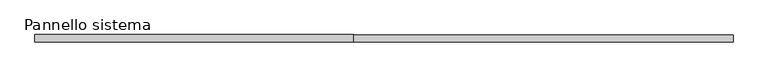
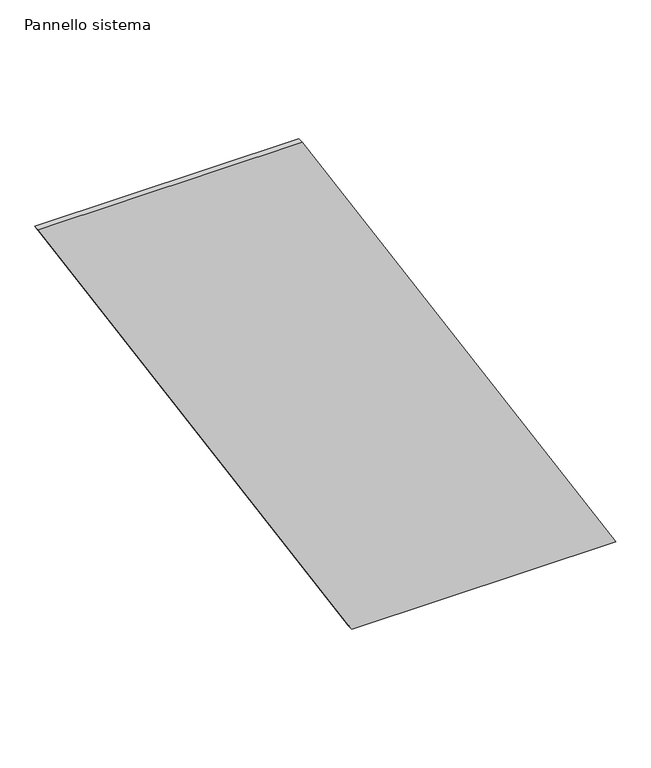
"""IFC4 building model written with IfcOpenShell, lengths in millimetres: plate geometry, Pannello sistema."""

import ifcopenshell
import ifcopenshell.guid

model = None  # the IFC model being written
_history = None  # IfcOwnerHistory: only IFC2X3 demands one
_inside = {}  # id of a spatial element -> (the spatial element, [elements in it])
_under = {}  # id of a project, library or spatial element -> (it, [spatial elements below it])
_declared = {}  # id of a project -> (the project, [libraries it declares])
_typed = {}  # id of a type object -> (the type object, [elements of that type])
_made_of = {}  # id of a material, layer set ... -> (it, [elements and type objects made of it])


def new_model(schema):
    """Start an empty IFC model of exactly this schema.

    Asked for "IFC4X3", IfcOpenShell would pick the latest addendum, in which some entities
    have other attributes; the version numbers below select the first issue.
    IFC2X3 requires an IfcOwnerHistory on every rooted entity: one is made here for all.
    """
    global model, _history
    if schema == "IFC4X3":
        model = ifcopenshell.file(schema_version=(4, 3, 0, 0))
    else:
        model = ifcopenshell.file(schema=schema)
    _inside.clear()
    _under.clear()
    _declared.clear()
    _typed.clear()
    _made_of.clear()
    _history = None
    if model.schema == "IFC2X3":
        org = make("IfcOrganization", Name="unknown")
        user = make(
            "IfcPersonAndOrganization",
            ThePerson=make("IfcPerson", FamilyName="unknown"),
            TheOrganization=org,
        )
        app = make(
            "IfcApplication",
            ApplicationDeveloper=org,
            Version="unknown",
            ApplicationFullName="unknown",
            ApplicationIdentifier="unknown",
        )
        _history = make(
            "IfcOwnerHistory",
            OwningUser=user,
            OwningApplication=app,
            ChangeAction="ADDED",
            CreationDate=0,
        )
    return model


def make(cls, **values):
    """One entity of the class cls with the attributes given. An attribute that is None is left unset."""
    return model.create_entity(
        cls, **{name: value for name, value in values.items() if value is not None}
    )


def rooted(cls, **values):
    """An entity with a GlobalId (a new one), such as an element, a storey or a relation."""
    return make(cls, GlobalId=ifcopenshell.guid.new(), OwnerHistory=_history, **values)


def si_unit(unit_type, name, prefix=None):
    """IfcSIUnit, for example si_unit("LENGTHUNIT", "METRE", prefix="MILLI")."""
    return make("IfcSIUnit", UnitType=unit_type, Prefix=prefix, Name=name)


def assignment(units):
    """IfcUnitAssignment: the units of a project."""
    return None if units is None else make("IfcUnitAssignment", Units=units)


def point(xyz):
    """IfcCartesianPoint."""
    return None if xyz is None else make("IfcCartesianPoint", Coordinates=xyz)


def direction(xyz):
    """IfcDirection."""
    return None if xyz is None else make("IfcDirection", DirectionRatios=xyz)


def frame(location, z_axis=None, x_axis=None):
    """IfcAxis2Placement3D, a coordinate frame: its origin and axes. An axis left out is left unset."""
    return make(
        "IfcAxis2Placement3D",
        Location=point(location),
        Axis=direction(z_axis),
        RefDirection=direction(x_axis),
    )


def origin():
    """The frame at (0, 0, 0) with its axes left unset."""
    return frame((0.0, 0.0, 0.0))


def place(relative_to, where):
    """IfcLocalPlacement: puts the frame where relative to a parent placement (None: the world)."""
    return make(
        "IfcLocalPlacement", PlacementRelTo=relative_to, RelativePlacement=where
    )


def context(
    kind, dimensions, precision=None, world=None, true_north=None, identifier=None
):
    """IfcGeometricRepresentationContext, for example the 3D "Model" context."""
    return make(
        "IfcGeometricRepresentationContext",
        ContextIdentifier=identifier,
        ContextType=kind,
        CoordinateSpaceDimension=dimensions,
        Precision=precision,
        WorldCoordinateSystem=world,
        TrueNorth=true_north,
    )


def project(units=None, contexts=None):
    """IfcProject with its units and contexts."""
    return rooted(
        "IfcProject",
        Name="project",
        RepresentationContexts=contexts,
        UnitsInContext=assignment(units),
    )


def spatial(cls, under=None, at=None, **own):
    """A site, building, storey or space (cls), placed at a placement, below another one or the project."""
    s = rooted(cls, ObjectPlacement=at, **own)
    if under is not None:
        _under.setdefault(under.id(), (under, []))[1].append(s)
    return s


def polyline(points):
    """IfcPolyline through the points."""
    return make("IfcPolyline", Points=[point(p) for p in points])


def outline(outer, holes=None, kind="AREA"):
    """IfcArbitraryClosedProfileDef: a profile drawn as a closed curve; with holes, ...WithVoids."""
    if holes is None:
        return make("IfcArbitraryClosedProfileDef", ProfileType=kind, OuterCurve=outer)
    return make(
        "IfcArbitraryProfileDefWithVoids",
        ProfileType=kind,
        OuterCurve=outer,
        InnerCurves=holes,
    )


def extrude(swept, where, along, depth):
    """IfcExtrudedAreaSolid: the profile swept, set in the frame where, extruded along a direction by depth."""
    return make(
        "IfcExtrudedAreaSolid",
        SweptArea=swept,
        Position=where,
        ExtrudedDirection=direction(along),
        Depth=depth,
    )


def shape(context_of_items, identifier, shape_type, items):
    """IfcShapeRepresentation: the items that make up one representation, for example the "Body"."""
    return make(
        "IfcShapeRepresentation",
        ContextOfItems=context_of_items,
        RepresentationIdentifier=identifier,
        RepresentationType=shape_type,
        Items=items,
    )


def source(mapping_origin, context_of_items, identifier, shape_type, items):
    """IfcRepresentationMap: a shape defined once, which mapped items show again and again."""
    return make(
        "IfcRepresentationMap",
        MappingOrigin=mapping_origin,
        MappedRepresentation=shape(context_of_items, identifier, shape_type, items),
    )


def transform(
    local_origin,
    x_axis=None,
    y_axis=None,
    z_axis=None,
    scale=None,
    scale2=None,
    scale3=None,
    uniform=True,
):
    """IfcCartesianTransformationOperator3D, or its non-uniform kind. x_axis, y_axis, z_axis: its Axis1, 2, 3."""
    if uniform:
        return make(
            "IfcCartesianTransformationOperator3D",
            Axis1=direction(x_axis),
            Axis2=direction(y_axis),
            LocalOrigin=point(local_origin),
            Scale=scale,
            Axis3=direction(z_axis),
        )
    return make(
        "IfcCartesianTransformationOperator3DnonUniform",
        Axis1=direction(x_axis),
        Axis2=direction(y_axis),
        LocalOrigin=point(local_origin),
        Scale=scale,
        Axis3=direction(z_axis),
        Scale2=scale2,
        Scale3=scale3,
    )


def mapped(mapping_source, mapping_target):
    """IfcMappedItem: shows the shape of a source again, moved by a transform."""
    return make(
        "IfcMappedItem", MappingSource=mapping_source, MappingTarget=mapping_target
    )


def made_of(thing, what):
    """Note that an element or type object is made of a material, layer set ...; save() writes the relation."""
    if what is not None:
        _made_of.setdefault(what.id(), (what, []))[1].append(thing)
    return thing


def element(
    cls,
    number,
    at=None,
    inside=None,
    cuts=None,
    type_object=None,
    material=None,
    context=None,
    identifier="Body",
    shape_type=None,
    held_by="IfcProductDefinitionShape",
    body=None,
    shapes=None,
    **own,
):
    """One element of the class cls, such as IfcWall. Its Tag is "e" and its number.

    at: its placement. inside: the storey or other place that contains it. cuts: it is an
    opening in that element (IfcRelVoidsElement). A single representation is given by context,
    identifier, shape_type and body (its items); several are given by shapes. held_by: the class
    of the entity that holds the representations. save() writes the other relations.
    """
    e = rooted(cls, Tag="e%d" % number, ObjectPlacement=at, **own)
    if body is not None:
        shapes = [shape(context, identifier, shape_type, body)]
    if shapes is not None:
        e.Representation = make(held_by, Representations=shapes)
    if inside is not None:
        _inside.setdefault(inside.id(), (inside, []))[1].append(e)
    if cuts is not None:
        rooted(
            "IfcRelVoidsElement", RelatingBuildingElement=cuts, RelatedOpeningElement=e
        )
    if type_object is not None:
        _typed.setdefault(type_object.id(), (type_object, []))[1].append(e)
    return made_of(e, material)


def aggregate(whole, parts):
    """IfcRelAggregates: a whole, such as a stair, and the parts it consists of."""
    return rooted("IfcRelAggregates", RelatingObject=whole, RelatedObjects=parts)


def save(model, path):
    """Write the relations noted so far, then the file.

    IfcRelAggregates (storeys below a building ...), IfcRelContainedInSpatialStructure (elements
    in a storey), IfcRelDefinesByType, IfcRelAssociatesMaterial and IfcRelDeclares: one each for
    every whole, place, type object, material and project.
    """
    for whole, parts in _under.values():
        aggregate(whole, parts)
    for where, things in _inside.values():
        rooted(
            "IfcRelContainedInSpatialStructure",
            RelatedElements=things,
            RelatingStructure=where,
        )
    for kind, things in _typed.values():
        rooted("IfcRelDefinesByType", RelatedObjects=things, RelatingType=kind)
    for what, things in _made_of.values():
        rooted("IfcRelAssociatesMaterial", RelatedObjects=things, RelatingMaterial=what)
    for by, libraries in _declared.values():
        rooted("IfcRelDeclares", RelatingContext=by, RelatedDefinitions=libraries)
    model.write(path)


def pannello_sistema_08a06919(model_context):
    return source(origin(), model_context, "Body", "SweptSolid", [
        extrude(outline(polyline([(0.0, 101.8461854), (0.0, 1181.1968419), (2178.174828, -101.8461854), (2178.174828, -1181.1968419), (0.0, 101.8461854)])), frame((0.0, -12.5, 0.0), z_axis=(0.0, 1.0, 0.0), x_axis=(0.0, 0.0, 1.0)), (0.0, 0.0, 1.0), 25.0),
    ])


if __name__ == "__main__":
    model = new_model("IFC4")
    model_context = context("Model", 3, world=origin())
    ifc_project = project(units=[si_unit("LENGTHUNIT", "METRE", prefix="MILLI")], contexts=[model_context])
    site = spatial("IfcSite", under=ifc_project)
    building = spatial("IfcBuilding", under=site)
    placement = place(None, origin())
    pannello_sistema_shape = pannello_sistema_08a06919(model_context)
    element("IfcPlate", 1, ObjectType="Pannello sistema", at=placement, inside=building, context=model_context, shape_type="MappedRepresentation", body=[
        mapped(pannello_sistema_shape, transform((0.0, 0.0, 0.0), x_axis=(1.0, 0.0, 0.0), y_axis=(0.0, 1.0, 0.0), z_axis=(0.0, 0.0, 1.0))),
    ])
    save(model, "model.ifc")
